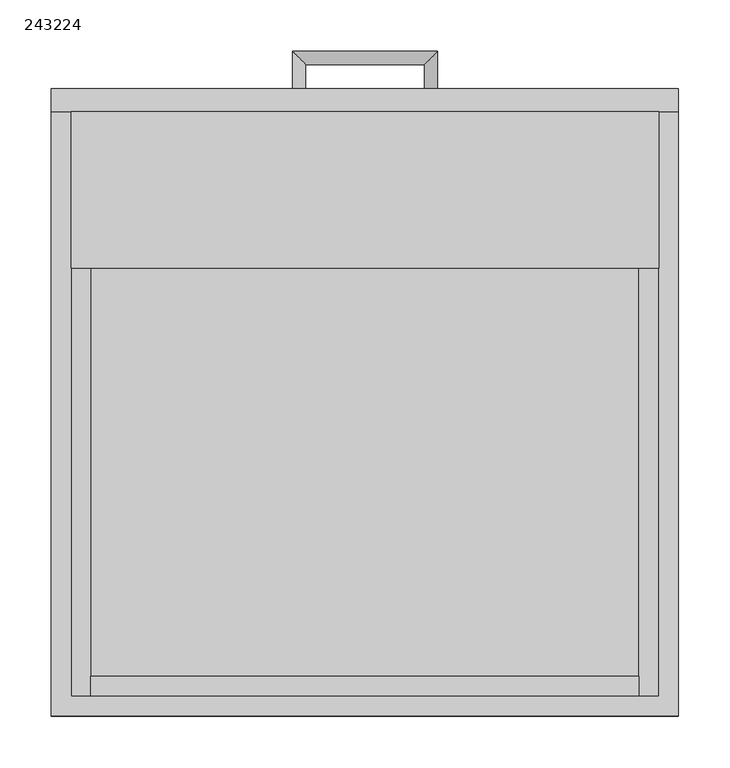
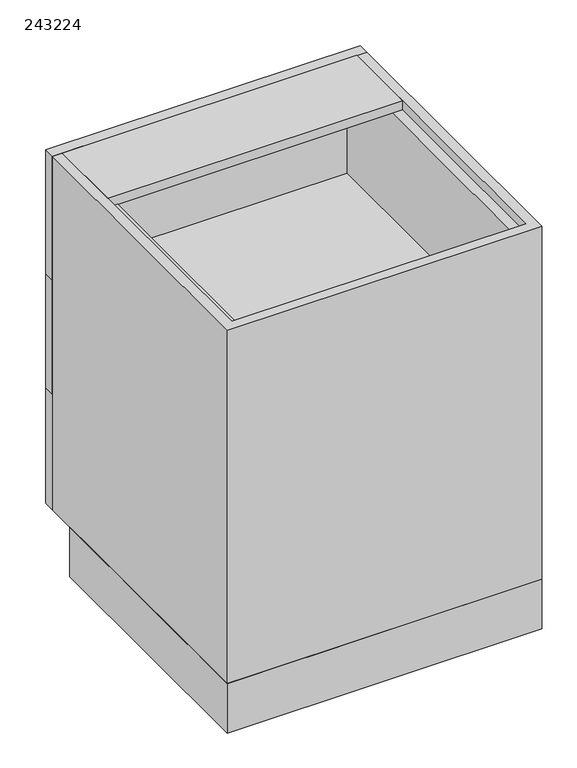
"""IFC4 building model written with IfcOpenShell, lengths in millimetres: furniture geometry, 243224."""

from ifc_helpers import new_model, si_unit, frame, origin, origin_with_axes, place, context, project, spatial, polyline, circle_curve, ellipse_curve, outline, extrude, source, transform, mapped, element, save
from ifc_brep_helpers import plane_surface, cylinder_surface, advanced_brep


def furniture_243224_9b786fb5(model_context):
    return source(origin(), model_context, "Body", "SolidModel", [
        extrude(outline(polyline([(-286.0622951, 0.0), (-286.0622951, 528.6), (323.5377049, 528.6), (323.5377049, 0.0), (-286.0622951, 0.0)]), holes=[polyline([(-266.8622951, 509.4), (-266.8622951, 19.2), (304.3377049, 19.2), (304.3377049, 509.4), (-266.8622951, 509.4)])]), origin_with_axes(), (0.0, 0.0, 1.0), 101.5996875),
        extrude(outline(polyline([(285.1377049, 19.2), (-247.6622951, 19.2), (-247.6622951, 38.4), (285.1377049, 38.4), (285.1377049, 19.2)])), frame((0.0, 0.0, 590.5998958), z_axis=(0.0, 0.0, 1.0), x_axis=(1.0, 0.0, 0.0)), (0.0, 0.0, 1.0), 215.7001042),
        extrude(outline(polyline([(285.1377049, 19.2), (-247.6622951, 19.2), (-247.6622951, 38.4), (285.1377049, 38.4), (285.1377049, 19.2)])), frame((0.0, 0.0, 355.6997917), z_axis=(0.0, 0.0, 1.0), x_axis=(1.0, 0.0, 0.0)), (0.0, 0.0, 1.0), 215.7001042),
        extrude(outline(polyline([(285.1377049, 19.2), (-247.6622951, 19.2), (-247.6622951, 38.4), (285.1377049, 38.4), (285.1377049, 19.2)])), frame((0.0, 0.0, 120.7996875), z_axis=(0.0, 0.0, 1.0), x_axis=(1.0, 0.0, 0.0)), (0.0, 0.0, 1.0), 215.7001042),
        extrude(outline(polyline([(806.3, -266.8622951), (571.3998958, -266.8622951), (571.3998958, 304.3377049), (806.3, 304.3377049), (806.3, 285.1377049), (590.5998958, 285.1377049), (590.5998958, -247.6622951), (806.3, -247.6622951), (806.3, -266.8622951)])), frame((0.0, 19.2, 0.0), z_axis=(0.0, 1.0, 0.0), x_axis=(0.0, 0.0, 1.0)), (0.0, 0.0, 1.0), 568.4),
        extrude(outline(polyline([(571.3998958, -266.8622951), (336.4997917, -266.8622951), (336.4997917, 304.3377049), (571.3998958, 304.3377049), (571.3998958, 285.1377049), (355.6997917, 285.1377049), (355.6997917, -247.6622951), (571.3998958, -247.6622951), (571.3998958, -266.8622951)])), frame((0.0, 19.2, 0.0), z_axis=(0.0, 1.0, 0.0), x_axis=(0.0, 0.0, 1.0)), (0.0, 0.0, 1.0), 568.4),
        extrude(outline(polyline([(336.4997917, -266.8622951), (101.5996875, -266.8622951), (101.5996875, 304.3377049), (336.4997917, 304.3377049), (336.4997917, 285.1377049), (120.7996875, 285.1377049), (120.7996875, -247.6622951), (336.4997917, -247.6622951), (336.4997917, -266.8622951)])), frame((0.0, 19.2, 0.0), z_axis=(0.0, 1.0, 0.0), x_axis=(0.0, 0.0, 1.0)), (0.0, 0.0, 1.0), 568.4),
        extrude(outline(polyline([(304.3377049, 435.2), (-266.8622951, 435.2), (-266.8622951, 587.6), (304.3377049, 587.6), (304.3377049, 435.2)])), frame((0.0, 0.0, 806.3), z_axis=(0.0, 0.0, 1.0), x_axis=(1.0, 0.0, 0.0)), (0.0, 0.0, 1.0), 19.2),
        extrude(outline(polyline([(-286.0622951, 609.6), (323.5377049, 609.6), (323.5377049, 587.6), (-286.0622951, 587.6), (-286.0622951, 609.6)])), frame((0.0, 0.0, 571.3998958), z_axis=(0.0, 0.0, 1.0), x_axis=(1.0, 0.0, 0.0)), (0.0, 0.0, 1.0), 254.1001042),
        advanced_brep(
        [(-51.6122951, 609.6, 688.8499479), (-38.9122951, 609.6, 688.8499479), (-38.9122951, 633.25, 688.8499479), (-51.6122951, 645.95, 688.8499479), (76.3877049, 633.25, 688.8499479), (89.0877049, 645.95, 688.8499479), (89.0877049, 609.6, 688.8499479), (76.3877049, 609.6, 688.8499479)],
        [
            (0, 1, circle_curve(frame((-45.2622951, 609.6, 688.8499479), z_axis=(0.0, -1.0, 0.0), x_axis=(1.0, 0.0, 0.0)), 6.35)),
            (1, 0, circle_curve(frame((-45.2622951, 609.6, 688.8499479), z_axis=(0.0, -1.0, 0.0), x_axis=(1.0, 0.0, 0.0)), 6.35)),
            (1, 2),
            (2, 3, ellipse_curve(frame((-45.2622951, 639.6, 688.8499479), z_axis=(-0.7071067811865475, -0.7071067811865475, 0.0), x_axis=(0.7071067811865474, -0.7071067811865476, 0.0)), 8.9802561, 6.35)),
            (3, 0),
            (3, 2, ellipse_curve(frame((-45.2622951, 639.6, 688.8499479), z_axis=(-0.7071067811865475, -0.7071067811865475, 0.0), x_axis=(0.7071067811865474, -0.7071067811865476, 0.0)), 8.9802561, 6.35)),
            (2, 4),
            (4, 5, ellipse_curve(frame((82.7377049, 639.6, 688.8499479), z_axis=(-0.7071067811865475, 0.7071067811865475, 0.0), x_axis=(-0.7071067811865476, -0.7071067811865474, 0.0)), 8.9802561, 6.35)),
            (5, 3),
            (5, 4, ellipse_curve(frame((82.7377049, 639.6, 688.8499479), z_axis=(-0.7071067811865475, 0.7071067811865475, 0.0), x_axis=(-0.7071067811865476, -0.7071067811865474, 0.0)), 8.9802561, 6.35)),
            (6, 7, circle_curve(frame((82.7377049, 609.6, 688.8499479), z_axis=(0.0, -1.0, 0.0), x_axis=(-1.0, 0.0, 0.0)), 6.35)),
            (7, 6, circle_curve(frame((82.7377049, 609.6, 688.8499479), z_axis=(0.0, -1.0, 0.0), x_axis=(-1.0, 0.0, 0.0)), 6.35)),
            (4, 7),
            (6, 5),
        ],
        [
            plane_surface(frame((-45.2622951, 609.6, 688.8499479), z_axis=(0.0, -1.0, 0.0), x_axis=(0.0, 0.0, 1.0))),
            cylinder_surface(frame((-45.2622951, 609.6, 688.8499479), z_axis=(0.0, -1.0, 0.0), x_axis=(1.0, 0.0, 0.0)), 6.35),
            cylinder_surface(frame((-45.2622951, 639.6, 688.8499479), z_axis=(-1.0, 0.0, 0.0), x_axis=(0.0, -1.0, 0.0)), 6.35),
            plane_surface(frame((82.7377049, 609.6, 688.8499479), z_axis=(0.0, -1.0, 0.0), x_axis=(0.0, 0.0, 1.0))),
            cylinder_surface(frame((82.7377049, 639.6, 688.8499479), z_axis=(0.0, 1.0, 0.0), x_axis=(-1.0, 0.0, 0.0)), 6.35),
        ],
        [
            (0, [[1, 2]]),
            (1, [[3, 4, 5, -2]]),
            (1, [[-5, 6, -3, -1]]),
            (2, [[7, 8, 9, -4]]),
            (2, [[-9, 10, -7, -6]]),
            (3, [[11, 12]]),
            (4, [[13, -11, 14, -8]]),
            (4, [[-14, -12, -13, -10]]),
        ],
    ),
        advanced_brep(
        [(76.3877049, 609.6, 219.0497396), (89.0877049, 609.6, 219.0497396), (89.0877049, 645.95, 219.0497396), (76.3877049, 633.25, 219.0497396), (-51.6122951, 645.95, 219.0497396), (-38.9122951, 633.25, 219.0497396), (-38.9122951, 609.6, 219.0497396), (-51.6122951, 609.6, 219.0497396)],
        [
            (0, 1, circle_curve(frame((82.7377049, 609.6, 219.0497396), z_axis=(0.0, -1.0, 0.0), x_axis=(1.0, 0.0, 0.0)), 6.35)),
            (1, 0, circle_curve(frame((82.7377049, 609.6, 219.0497396), z_axis=(0.0, -1.0, 0.0), x_axis=(1.0, 0.0, 0.0)), 6.35)),
            (1, 2),
            (2, 3, ellipse_curve(frame((82.7377049, 639.6, 219.0497396), z_axis=(0.7071067811865475, -0.7071067811865475, 0.0), x_axis=(-0.7071067811865474, -0.7071067811865476, 0.0)), 8.9802561, 6.35)),
            (3, 0),
            (3, 2, ellipse_curve(frame((82.7377049, 639.6, 219.0497396), z_axis=(0.7071067811865475, -0.7071067811865475, 0.0), x_axis=(-0.7071067811865474, -0.7071067811865476, 0.0)), 8.9802561, 6.35)),
            (2, 4),
            (4, 5, ellipse_curve(frame((-45.2622951, 639.6, 219.0497396), z_axis=(0.7071067811865475, 0.7071067811865475, 0.0), x_axis=(0.7071067811865476, -0.7071067811865474, 0.0)), 8.9802561, 6.35)),
            (5, 3),
            (5, 4, ellipse_curve(frame((-45.2622951, 639.6, 219.0497396), z_axis=(0.7071067811865475, 0.7071067811865475, 0.0), x_axis=(0.7071067811865476, -0.7071067811865474, 0.0)), 8.9802561, 6.35)),
            (6, 7, circle_curve(frame((-45.2622951, 609.6, 219.0497396), z_axis=(0.0, -1.0, 0.0), x_axis=(-1.0, 0.0, 0.0)), 6.35)),
            (7, 6, circle_curve(frame((-45.2622951, 609.6, 219.0497396), z_axis=(0.0, -1.0, 0.0), x_axis=(-1.0, 0.0, 0.0)), 6.35)),
            (4, 7),
            (6, 5),
        ],
        [
            plane_surface(frame((82.7377049, 609.6, 219.0497396), z_axis=(0.0, -1.0, 0.0), x_axis=(0.0, 0.0, 1.0))),
            cylinder_surface(frame((82.7377049, 609.6, 219.0497396), z_axis=(0.0, -1.0, 0.0), x_axis=(1.0, 0.0, 0.0)), 6.35),
            cylinder_surface(frame((82.7377049, 639.6, 219.0497396), z_axis=(1.0, 0.0, 0.0), x_axis=(0.0, 1.0, 0.0)), 6.35),
            plane_surface(frame((-45.2622951, 609.6, 219.0497396), z_axis=(0.0, -1.0, 0.0), x_axis=(0.0, 0.0, 1.0))),
            cylinder_surface(frame((-45.2622951, 639.6, 219.0497396), z_axis=(0.0, 1.0, 0.0), x_axis=(-1.0, 0.0, 0.0)), 6.35),
        ],
        [
            (0, [[1, 2]]),
            (1, [[3, 4, 5, -2]]),
            (1, [[-5, 6, -3, -1]]),
            (2, [[7, 8, 9, -4]]),
            (2, [[-9, 10, -7, -6]]),
            (3, [[11, 12]]),
            (4, [[13, -11, 14, -8]]),
            (4, [[-14, -12, -13, -10]]),
        ],
    ),
        extrude(outline(polyline([(323.5377049, 587.6), (-286.0622951, 587.6), (-286.0622951, 609.6), (323.5377049, 609.6), (323.5377049, 587.6)])), frame((0.0, 0.0, 101.5996875), z_axis=(0.0, 0.0, 1.0), x_axis=(1.0, 0.0, 0.0)), (0.0, 0.0, 1.0), 234.9001042),
        advanced_brep(
        [(-51.6122951, 609.6, 453.9498437), (-38.9122951, 609.6, 453.9498437), (-38.9122951, 633.25, 453.9498437), (-51.6122951, 645.95, 453.9498437), (76.3877049, 633.25, 453.9498437), (89.0877049, 645.95, 453.9498437), (89.0877049, 609.6, 453.9498437), (76.3877049, 609.6, 453.9498437)],
        [
            (0, 1, circle_curve(frame((-45.2622951, 609.6, 453.9498437), z_axis=(0.0, -1.0, 0.0), x_axis=(1.0, 0.0, 0.0)), 6.35)),
            (1, 0, circle_curve(frame((-45.2622951, 609.6, 453.9498437), z_axis=(0.0, -1.0, 0.0), x_axis=(1.0, 0.0, 0.0)), 6.35)),
            (1, 2),
            (2, 3, ellipse_curve(frame((-45.2622951, 639.6, 453.9498437), z_axis=(-0.7071067811865475, -0.7071067811865475, 0.0), x_axis=(0.7071067811865474, -0.7071067811865476, 0.0)), 8.9802561, 6.35)),
            (3, 0),
            (3, 2, ellipse_curve(frame((-45.2622951, 639.6, 453.9498437), z_axis=(-0.7071067811865475, -0.7071067811865475, 0.0), x_axis=(0.7071067811865474, -0.7071067811865476, 0.0)), 8.9802561, 6.35)),
            (2, 4),
            (4, 5, ellipse_curve(frame((82.7377049, 639.6, 453.9498437), z_axis=(-0.7071067811865475, 0.7071067811865475, 0.0), x_axis=(-0.7071067811865476, -0.7071067811865474, 0.0)), 8.9802561, 6.35)),
            (5, 3),
            (5, 4, ellipse_curve(frame((82.7377049, 639.6, 453.9498437), z_axis=(-0.7071067811865475, 0.7071067811865475, 0.0), x_axis=(-0.7071067811865476, -0.7071067811865474, 0.0)), 8.9802561, 6.35)),
            (6, 7, circle_curve(frame((82.7377049, 609.6, 453.9498437), z_axis=(0.0, -1.0, 0.0), x_axis=(-1.0, 0.0, 0.0)), 6.35)),
            (7, 6, circle_curve(frame((82.7377049, 609.6, 453.9498437), z_axis=(0.0, -1.0, 0.0), x_axis=(-1.0, 0.0, 0.0)), 6.35)),
            (4, 7),
            (6, 5),
        ],
        [
            plane_surface(frame((-45.2622951, 609.6, 453.9498437), z_axis=(0.0, -1.0, 0.0), x_axis=(0.0, 0.0, 1.0))),
            cylinder_surface(frame((-45.2622951, 609.6, 453.9498437), z_axis=(0.0, -1.0, 0.0), x_axis=(1.0, 0.0, 0.0)), 6.35),
            cylinder_surface(frame((-45.2622951, 639.6, 453.9498437), z_axis=(-1.0, 0.0, 0.0), x_axis=(0.0, -1.0, 0.0)), 6.35),
            plane_surface(frame((82.7377049, 609.6, 453.9498437), z_axis=(0.0, -1.0, 0.0), x_axis=(0.0, 0.0, 1.0))),
            cylinder_surface(frame((82.7377049, 639.6, 453.9498437), z_axis=(0.0, 1.0, 0.0), x_axis=(-1.0, 0.0, 0.0)), 6.35),
        ],
        [
            (0, [[1, 2]]),
            (1, [[3, 4, 5, -2]]),
            (1, [[-5, 6, -3, -1]]),
            (2, [[7, 8, 9, -4]]),
            (2, [[-9, 10, -7, -6]]),
            (3, [[11, 12]]),
            (4, [[13, -11, 14, -8]]),
            (4, [[-14, -12, -13, -10]]),
        ],
    ),
        extrude(outline(polyline([(-286.0622951, 609.6), (323.5377049, 609.6), (323.5377049, 587.6), (-286.0622951, 587.6), (-286.0622951, 609.6)])), frame((0.0, 0.0, 336.4997917), z_axis=(0.0, 0.0, 1.0), x_axis=(1.0, 0.0, 0.0)), (0.0, 0.0, 1.0), 234.9001042),
        extrude(outline(polyline([(323.5377049, 587.6), (323.5377049, 0.0), (-286.0622951, 0.0), (-286.0622951, 587.6), (-266.8622951, 587.6), (-266.8622951, 19.2), (304.3377049, 19.2), (304.3377049, 587.6), (323.5377049, 587.6)])), frame((0.0, 0.0, 101.5996875), z_axis=(0.0, 0.0, 1.0), x_axis=(1.0, 0.0, 0.0)), (0.0, 0.0, 1.0), 723.9003125),
    ])


if __name__ == "__main__":
    model = new_model("IFC4")
    model_context = context("Model", 3, world=origin())
    ifc_project = project(units=[si_unit("LENGTHUNIT", "METRE", prefix="MILLI")], contexts=[model_context])
    site = spatial("IfcSite", under=ifc_project)
    building = spatial("IfcBuilding", under=site)
    placement = place(None, origin())
    furniture_243224_shape = furniture_243224_9b786fb5(model_context)
    element("IfcFurniture", 1, ObjectType="243224", at=placement, inside=building, context=model_context, shape_type="MappedRepresentation", body=[
        mapped(furniture_243224_shape, transform((0.0, 0.0, 0.0), x_axis=(1.0, 0.0, 0.0), y_axis=(0.0, 1.0, 0.0), z_axis=(0.0, 0.0, 1.0))),
    ])
    save(model, "model.ifc")
